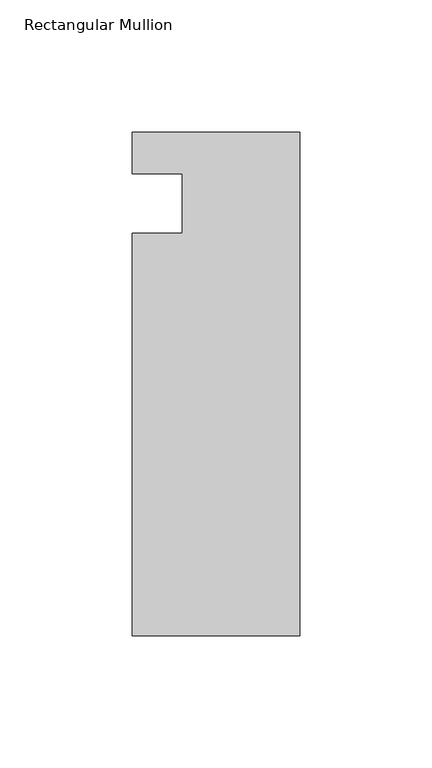
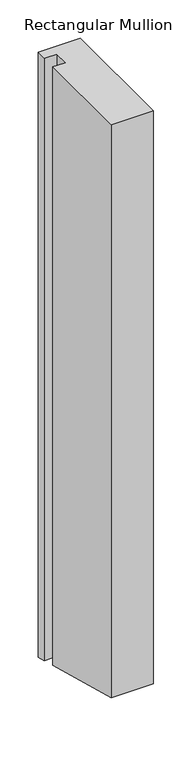
"""IFC4 building model written with IfcOpenShell, lengths in millimetres: member geometry, Rectangular Mullion."""

import ifcopenshell
import ifcopenshell.guid

model = None  # the IFC model being written
_history = None  # IfcOwnerHistory: only IFC2X3 demands one
_inside = {}  # id of a spatial element -> (the spatial element, [elements in it])
_under = {}  # id of a project, library or spatial element -> (it, [spatial elements below it])
_declared = {}  # id of a project -> (the project, [libraries it declares])
_typed = {}  # id of a type object -> (the type object, [elements of that type])
_made_of = {}  # id of a material, layer set ... -> (it, [elements and type objects made of it])


def new_model(schema):
    """Start an empty IFC model of exactly this schema.

    Asked for "IFC4X3", IfcOpenShell would pick the latest addendum, in which some entities
    have other attributes; the version numbers below select the first issue.
    IFC2X3 requires an IfcOwnerHistory on every rooted entity: one is made here for all.
    """
    global model, _history
    if schema == "IFC4X3":
        model = ifcopenshell.file(schema_version=(4, 3, 0, 0))
    else:
        model = ifcopenshell.file(schema=schema)
    _inside.clear()
    _under.clear()
    _declared.clear()
    _typed.clear()
    _made_of.clear()
    _history = None
    if model.schema == "IFC2X3":
        org = make("IfcOrganization", Name="unknown")
        user = make(
            "IfcPersonAndOrganization",
            ThePerson=make("IfcPerson", FamilyName="unknown"),
            TheOrganization=org,
        )
        app = make(
            "IfcApplication",
            ApplicationDeveloper=org,
            Version="unknown",
            ApplicationFullName="unknown",
            ApplicationIdentifier="unknown",
        )
        _history = make(
            "IfcOwnerHistory",
            OwningUser=user,
            OwningApplication=app,
            ChangeAction="ADDED",
            CreationDate=0,
        )
    return model


def make(cls, **values):
    """One entity of the class cls with the attributes given. An attribute that is None is left unset."""
    return model.create_entity(
        cls, **{name: value for name, value in values.items() if value is not None}
    )


def rooted(cls, **values):
    """An entity with a GlobalId (a new one), such as an element, a storey or a relation."""
    return make(cls, GlobalId=ifcopenshell.guid.new(), OwnerHistory=_history, **values)


def si_unit(unit_type, name, prefix=None):
    """IfcSIUnit, for example si_unit("LENGTHUNIT", "METRE", prefix="MILLI")."""
    return make("IfcSIUnit", UnitType=unit_type, Prefix=prefix, Name=name)


def assignment(units):
    """IfcUnitAssignment: the units of a project."""
    return None if units is None else make("IfcUnitAssignment", Units=units)


def point(xyz):
    """IfcCartesianPoint."""
    return None if xyz is None else make("IfcCartesianPoint", Coordinates=xyz)


def direction(xyz):
    """IfcDirection."""
    return None if xyz is None else make("IfcDirection", DirectionRatios=xyz)


def frame(location, z_axis=None, x_axis=None):
    """IfcAxis2Placement3D, a coordinate frame: its origin and axes. An axis left out is left unset."""
    return make(
        "IfcAxis2Placement3D",
        Location=point(location),
        Axis=direction(z_axis),
        RefDirection=direction(x_axis),
    )


def origin():
    """The frame at (0, 0, 0) with its axes left unset."""
    return frame((0.0, 0.0, 0.0))


def place(relative_to, where):
    """IfcLocalPlacement: puts the frame where relative to a parent placement (None: the world)."""
    return make(
        "IfcLocalPlacement", PlacementRelTo=relative_to, RelativePlacement=where
    )


def context(
    kind, dimensions, precision=None, world=None, true_north=None, identifier=None
):
    """IfcGeometricRepresentationContext, for example the 3D "Model" context."""
    return make(
        "IfcGeometricRepresentationContext",
        ContextIdentifier=identifier,
        ContextType=kind,
        CoordinateSpaceDimension=dimensions,
        Precision=precision,
        WorldCoordinateSystem=world,
        TrueNorth=true_north,
    )


def project(units=None, contexts=None):
    """IfcProject with its units and contexts."""
    return rooted(
        "IfcProject",
        Name="project",
        RepresentationContexts=contexts,
        UnitsInContext=assignment(units),
    )


def spatial(cls, under=None, at=None, **own):
    """A site, building, storey or space (cls), placed at a placement, below another one or the project."""
    s = rooted(cls, ObjectPlacement=at, **own)
    if under is not None:
        _under.setdefault(under.id(), (under, []))[1].append(s)
    return s


def faces_of(points, faces, orient=None, outer=None):
    """IfcFace entities. A face is a list of loops; a loop is a list of indices into points, from 0.

    orient and outer hold one flag for each loop. By default every Orientation is true, the
    first loop of a face is its IfcFaceOuterBound and the others are IfcFaceBound.
    """
    made = []
    for i, loops in enumerate(faces):
        bounds = []
        for j, loop in enumerate(loops):
            is_outer = j == 0 if outer is None else outer[i][j]
            bounds.append(
                make(
                    "IfcFaceOuterBound" if is_outer else "IfcFaceBound",
                    Bound=make("IfcPolyLoop", Polygon=[points[k] for k in loop]),
                    Orientation=True if orient is None else orient[i][j],
                )
            )
        made.append(make("IfcFace", Bounds=bounds))
    return made


def faceted_brep(points, faces, orient=None, outer=None, voids=None):
    """IfcFacetedBrep: a solid bounded by flat faces; with voids (closed shells), ...WithVoids."""
    shared = [point(p) for p in points]
    hull = make("IfcClosedShell", CfsFaces=faces_of(shared, faces, orient, outer))
    if voids is None:
        return make("IfcFacetedBrep", Outer=hull)
    return make(
        "IfcFacetedBrepWithVoids",
        Outer=hull,
        Voids=[
            make(cls, CfsFaces=faces_of(shared, fs, o, b)) for cls, fs, o, b in voids
        ],
    )


def shape(context_of_items, identifier, shape_type, items):
    """IfcShapeRepresentation: the items that make up one representation, for example the "Body"."""
    return make(
        "IfcShapeRepresentation",
        ContextOfItems=context_of_items,
        RepresentationIdentifier=identifier,
        RepresentationType=shape_type,
        Items=items,
    )


def source(mapping_origin, context_of_items, identifier, shape_type, items):
    """IfcRepresentationMap: a shape defined once, which mapped items show again and again."""
    return make(
        "IfcRepresentationMap",
        MappingOrigin=mapping_origin,
        MappedRepresentation=shape(context_of_items, identifier, shape_type, items),
    )


def transform(
    local_origin,
    x_axis=None,
    y_axis=None,
    z_axis=None,
    scale=None,
    scale2=None,
    scale3=None,
    uniform=True,
):
    """IfcCartesianTransformationOperator3D, or its non-uniform kind. x_axis, y_axis, z_axis: its Axis1, 2, 3."""
    if uniform:
        return make(
            "IfcCartesianTransformationOperator3D",
            Axis1=direction(x_axis),
            Axis2=direction(y_axis),
            LocalOrigin=point(local_origin),
            Scale=scale,
            Axis3=direction(z_axis),
        )
    return make(
        "IfcCartesianTransformationOperator3DnonUniform",
        Axis1=direction(x_axis),
        Axis2=direction(y_axis),
        LocalOrigin=point(local_origin),
        Scale=scale,
        Axis3=direction(z_axis),
        Scale2=scale2,
        Scale3=scale3,
    )


def mapped(mapping_source, mapping_target):
    """IfcMappedItem: shows the shape of a source again, moved by a transform."""
    return make(
        "IfcMappedItem", MappingSource=mapping_source, MappingTarget=mapping_target
    )


def made_of(thing, what):
    """Note that an element or type object is made of a material, layer set ...; save() writes the relation."""
    if what is not None:
        _made_of.setdefault(what.id(), (what, []))[1].append(thing)
    return thing


def element(
    cls,
    number,
    at=None,
    inside=None,
    cuts=None,
    type_object=None,
    material=None,
    context=None,
    identifier="Body",
    shape_type=None,
    held_by="IfcProductDefinitionShape",
    body=None,
    shapes=None,
    **own,
):
    """One element of the class cls, such as IfcWall. Its Tag is "e" and its number.

    at: its placement. inside: the storey or other place that contains it. cuts: it is an
    opening in that element (IfcRelVoidsElement). A single representation is given by context,
    identifier, shape_type and body (its items); several are given by shapes. held_by: the class
    of the entity that holds the representations. save() writes the other relations.
    """
    e = rooted(cls, Tag="e%d" % number, ObjectPlacement=at, **own)
    if body is not None:
        shapes = [shape(context, identifier, shape_type, body)]
    if shapes is not None:
        e.Representation = make(held_by, Representations=shapes)
    if inside is not None:
        _inside.setdefault(inside.id(), (inside, []))[1].append(e)
    if cuts is not None:
        rooted(
            "IfcRelVoidsElement", RelatingBuildingElement=cuts, RelatedOpeningElement=e
        )
    if type_object is not None:
        _typed.setdefault(type_object.id(), (type_object, []))[1].append(e)
    return made_of(e, material)


def aggregate(whole, parts):
    """IfcRelAggregates: a whole, such as a stair, and the parts it consists of."""
    return rooted("IfcRelAggregates", RelatingObject=whole, RelatedObjects=parts)


def save(model, path):
    """Write the relations noted so far, then the file.

    IfcRelAggregates (storeys below a building ...), IfcRelContainedInSpatialStructure (elements
    in a storey), IfcRelDefinesByType, IfcRelAssociatesMaterial and IfcRelDeclares: one each for
    every whole, place, type object, material and project.
    """
    for whole, parts in _under.values():
        aggregate(whole, parts)
    for where, things in _inside.values():
        rooted(
            "IfcRelContainedInSpatialStructure",
            RelatedElements=things,
            RelatingStructure=where,
        )
    for kind, things in _typed.values():
        rooted("IfcRelDefinesByType", RelatedObjects=things, RelatingType=kind)
    for what, things in _made_of.values():
        rooted("IfcRelAssociatesMaterial", RelatedObjects=things, RelatingMaterial=what)
    for by, libraries in _declared.values():
        rooted("IfcRelDeclares", RelatingContext=by, RelatedDefinitions=libraries)
    model.write(path)


def rectangular_mullion_b80ac5a2(model_context):
    return source(origin(), model_context, "Body", "Brep", [
        faceted_brep([(-198.4248, 20.7668812, 0.0), (-198.4248, 4.9172812, 0.0), (-179.3748, 4.9172813, 0.0), (-179.3748, -17.5617188, 0.0), (-198.4248, -17.5617188, 0.0), (-198.4248, -169.9617188, 0.0), (-134.9248, -169.9617188, 0.0), (-134.9248, 20.7668813, 0.0), (-198.4248, 20.7668812, -965.6006803), (-198.4248, 4.9172812, -961.3537927), (-179.3748, 4.9172813, -961.3537927), (-179.3748, -17.5617188, -955.3305628), (-198.4248, -17.5617188, -955.3305628), (-198.4248, -169.9617188, -914.4951059), (-134.9248, -169.9617188, -914.4951059), (-134.9248, 20.7668813, -965.6006803)], [[[0, 1, 2, 3, 4, 5, 6, 7]], [[1, 0, 8, 9]], [[2, 1, 9, 10]], [[3, 2, 10, 11]], [[4, 3, 11, 12]], [[5, 4, 12, 13]], [[6, 5, 13, 14]], [[7, 6, 14, 15]], [[0, 7, 15, 8]], [[8, 15, 14, 13, 12, 11, 10, 9]]]),
    ])


if __name__ == "__main__":
    model = new_model("IFC4")
    model_context = context("Model", 3, world=origin())
    ifc_project = project(units=[si_unit("LENGTHUNIT", "METRE", prefix="MILLI")], contexts=[model_context])
    site = spatial("IfcSite", under=ifc_project)
    building = spatial("IfcBuilding", under=site)
    placement = place(None, origin())
    rectangular_mullion_shape = rectangular_mullion_b80ac5a2(model_context)
    element("IfcMember", 1, ObjectType="Rectangular Mullion", at=placement, inside=building, context=model_context, shape_type="MappedRepresentation", body=[
        mapped(rectangular_mullion_shape, transform((0.0, 0.0, 0.0), x_axis=(1.0, 0.0, 0.0), y_axis=(0.0, 1.0, 0.0), z_axis=(0.0, 0.0, 1.0))),
    ])
    save(model, "model.ifc")
